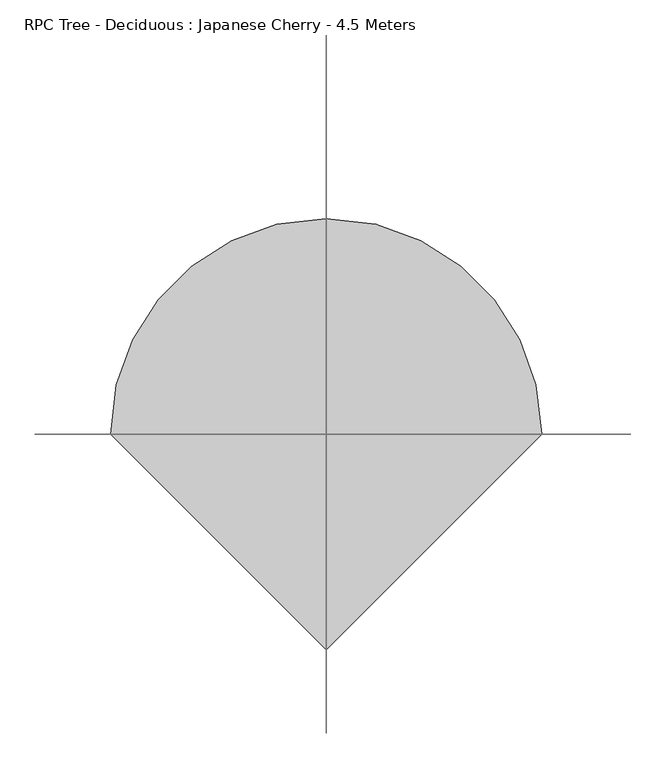
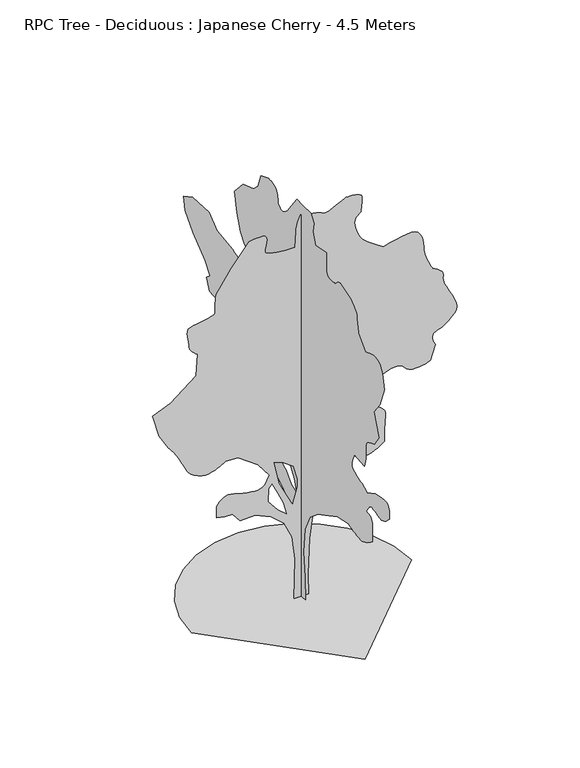
"""IFC4 building model written with IfcOpenShell, lengths in millimetres: geographic element geometry, RPC Tree - Deciduous : Japanese Cherry - 4.5 Meters."""

from ifc_helpers import new_model, si_unit, origin, place, context, project, spatial, triangles, source, transform, mapped, element, save


def rpc_tree_deciduous_japanese_cherry_4_5_meters_7cedb06f(model_context):
    return source(origin(), model_context, "Body", "Tessellation", [
        triangles([(-0.0027587, -74.5725603, 0.00586), (-0.0027587, 72.0943095, 0.00586), (-0.0027587, 58.7610481, 393.3378007), (-0.0027587, 98.7608322, 653.338028), (-0.0027587, 145.4276149, 853.3381748), (-0.0027587, 252.0952047, 966.670792), (-0.0027587, 412.0928332, 1080.00588), (-0.0027587, 518.7604139, 1126.6709095), (-0.0027587, 625.428031, 1106.6708948), (-0.0027587, 738.7605755, 1126.6709095), (-0.0027587, 798.7606195, 1213.3385118), (-0.0027587, 738.7605755, 1293.3384979), (-0.0027587, 525.4279212, 1366.6710857), (-0.0027587, 506.885412, 1365.1761189), (-0.0027587, 488.5178922, 1363.2711479), (-0.0027587, 470.5003873, 1360.5486397), (-0.0027587, 453.0078504, 1356.6035316), (-0.0027587, 436.2153434, 1351.0261105), (-0.0027587, 420.2953485, 1343.4060814), (-0.0027587, 405.4278331, 1333.3385273), (-0.0027587, 390.5578105, 1322.4935497), (-0.0027587, 374.6402864, 1312.6960373), (-0.0027587, 357.8477795, 1303.7760876), (-0.0027587, 340.3552789, 1295.553479), (-0.0027587, 322.337774, 1287.8585999), (-0.0027587, 303.9702541, 1280.5110832), (-0.0027587, 285.4277268, 1273.3385559), (-0.0027587, 185.427399, 1166.6709389), (-0.0027587, 85.4275708, 1126.6709095), (-0.0027587, 125.4276002, 1266.671085), (-0.0027587, 238.7606988, 1433.3386734), (-0.0027587, 398.7603258, 1533.3386742), (-0.0027587, 585.4279653, 1593.3387909), (-0.0027587, 718.7605608, 1506.6712612), (-0.0027587, 825.4281778, 1520.0062031), (-0.0027587, 938.7607224, 1640.0038204), (-0.0027587, 1025.4283247, 1746.6714375), (-0.0027587, 1105.4259127, 1740.0039665), (-0.0027587, 1192.0934423, 1660.0063786), (-0.0027587, 1245.4260155, 1753.3389084), (-0.0027587, 1305.4259869, 1820.0040253), (-0.0027587, 1412.0936039, 1933.3391132), (-0.0027587, 1478.7587208, 2233.3392609), (-0.0027587, 1485.4261917, 2393.3393784), (-0.0027587, 1578.7613377, 2433.336937), (-0.0027587, 1725.426368, 2446.6718788), (-0.0027587, 1785.4264847, 2573.3269386), (-0.0027587, 1712.0938969, 2633.3270554), (-0.0027587, 1812.0938976, 2753.3272888), (-0.0027587, 2038.759132, 2926.6774635), (-0.0027587, 2185.4267784, 3100.0026398), (-0.0027587, 2212.0917206, 3240.0025246), (-0.0027587, 2045.4266029, 3333.3276421), (-0.0027587, 1738.758839, 3346.6776993), (-0.0027587, 1585.4263378, 3226.6774658), (-0.0027587, 1292.0935158, 3193.3274666), (-0.0027587, 1252.2485641, 3177.7025482), (-0.0027587, 1213.3385118, 3162.6025978), (-0.0027587, 1176.2909185, 3148.5525833), (-0.0027587, 1142.0459158, 3136.0774727), (-0.0027587, 1111.5309179, 3125.7025246), (-0.0027587, 1085.6808969, 3117.9524162), (-0.0027587, 1065.4258833, 3113.3274078), (-0.0027587, 1047.2933418, 3113.0774231), (-0.0027587, 1028.108321, 3117.0274727), (-0.0027587, 1009.2758223, 3123.6526497), (-0.0027587, 992.1908186, 3131.4524643), (-0.0027587, 978.255768, 3138.9025909), (-0.0027587, 968.8682596, 3144.4775414), (-0.0027587, 965.4258099, 3146.6774071), (-0.0027587, 932.0932514, 3306.6778152), (-0.0027587, 1072.0933542, 3380.0027), (-0.0027587, 1138.7609419, 3486.6778748), (-0.0027587, 1212.093457, 3660.003051), (-0.0027587, 1252.0934864, 3880.0029945), (-0.0027587, 1098.7609125, 4053.3281708), (-0.0027587, 898.760693, 4126.6783447), (-0.0027587, 818.7606342, 4200.0035202), (-0.0027587, 758.7605902, 4360.0036377), (-0.0027587, 618.7604874, 4413.3285805), (-0.0027587, 595.9604982, 4413.2285866), (-0.0027587, 573.5129585, 4412.5536278), (-0.0027587, 551.7629416, 4410.70345), (-0.0027587, 531.0629333, 4407.1286682), (-0.0027587, 511.7629123, 4401.17845), (-0.0027587, 494.2128934, 4392.3534073), (-0.0027587, 478.7603846, 4380.0035797), (-0.0027587, 466.2228868, 4364.5536507), (-0.0027587, 456.8353784, 4347.0035591), (-0.0027587, 450.0728551, 4327.7035744), (-0.0027587, 445.4078419, 4307.0033844), (-0.0027587, 442.3178415, 4285.2535492), (-0.0027587, 440.2753427, 4262.803466), (-0.0027587, 438.7603552, 4240.0034042), (-0.0027587, 427.2553525, 4227.3033073), (-0.0027587, 415.2803204, 4215.6034401), (-0.0027587, 402.3753304, 4205.9034508), (-0.0027587, 388.070317, 4199.1532814), (-0.0027587, 371.9003011, 4196.3784508), (-0.0027587, 353.3952896, 4198.553318), (-0.0027587, 332.0927745, 4206.6784035), (-0.0027587, 310.9852693, 4218.4782646), (-0.0027587, 293.0277353, 4231.0033722), (-0.0027587, 277.6927156, 4244.1034447), (-0.0027587, 264.4552061, 4257.6784882), (-0.0027587, 252.7927094, 4271.5785118), (-0.0027587, 242.1814384, 4285.7285202), (-0.0027587, 232.0939364, 4300.003521), (-0.0027587, 138.7608616, 4426.6786377), (-0.0027587, 78.7608175, 4500.0035225), (-0.0027587, -21.2393172, 4493.3286392), (-0.0027587, -181.2391554, 4500.0035225), (-0.0027587, -241.2389451, 4420.0034637), (-0.0027587, -214.5724224, 4306.6784042), (-0.0027587, -261.2402133, 4180.0032875), (-0.0027587, -467.9053785, 4220.0034622), (-0.0027587, -467.9053785, 4073.3284035), (-0.0027587, -469.4403866, 4050.6283356), (-0.0027587, -471.6178699, 4028.7032204), (-0.0027587, -475.0778695, 4008.4282951), (-0.0027587, -480.4628969, 3990.6282188), (-0.0027587, -488.4103769, 3976.0532364), (-0.0027587, -499.5679081, 3965.5782944), (-0.0027587, -514.5729152, 3960.0030533), (-0.0027587, -531.7154371, 3957.9281799), (-0.0027587, -548.8579591, 3957.2532211), (-0.0027587, -566.0004447, 3957.7281921), (-0.0027587, -583.1429667, 3959.1531052), (-0.0027587, -600.2854886, 3961.2782661), (-0.0027587, -617.4304813, 3963.853109), (-0.0027587, -634.5730396, 3966.6782272), (-0.0027587, -650.2955538, 3982.2281502), (-0.0027587, -666.0780207, 3996.928125), (-0.0027587, -681.9780676, 4009.8782066), (-0.0027587, -698.0505604, 4020.2031578), (-0.0027587, -714.3580679, 4027.0283226), (-0.0027587, -730.9580721, 4029.4781731), (-0.0027587, -747.9055841, 4026.678344), (-0.0027587, -927.9057163, 3966.6782272), (-0.0027587, -953.4457998, 3949.4781143), (-0.0027587, -977.9358021, 3931.9283134), (-0.0027587, -1000.3257872, 3913.6782646), (-0.0027587, -1019.5682899, 3894.3782799), (-0.0027587, -1034.6108311, 3873.6780899), (-0.0027587, -1044.4058727, 3851.2280067), (-0.0027587, -1047.9058771, 3826.6780518), (-0.0027587, -1048.6833733, 3801.5281334), (-0.0027587, -1050.8608566, 3777.4531494), (-0.0027587, -1054.2033852, 3754.253112), (-0.0027587, -1058.4783422, 3731.7530319), (-0.0027587, -1063.4533293, 3709.7529213), (-0.0027587, -1068.895875, 3688.1280785), (-0.0027587, -1074.570892, 3666.6779343), (-0.0027587, -1201.238451, 3526.6777588), (-0.0027587, -1239.7609543, 3543.5528915), (-0.0027587, -1277.9935043, 3558.9278252), (-0.0027587, -1315.641061, 3571.2779434), (-0.0027587, -1352.4135258, 3579.077758), (-0.0027587, -1388.0210907, 3580.8029434), (-0.0027587, -1422.1711864, 3574.9530098), (-0.0027587, -1454.5712437, 3560.0027596), (-0.0027587, -1482.6961258, 3536.9027161), (-0.0027587, -1504.8736965, 3508.1777252), (-0.0027587, -1522.093721, 3474.8027275), (-0.0027587, -1535.3487259, 3437.7026665), (-0.0027587, -1545.6312378, 3397.8027763), (-0.0027587, -1553.9313126, 3356.02771), (-0.0027587, -1561.2387154, 3313.3277), (-0.0027587, -1474.5711857, 3086.677581), (-0.0027587, -1367.9060394, 2940.0022316), (-0.0027587, -1454.5712437, 2700.0020554), (-0.0027587, -1374.5710396, 2573.3269386), (-0.0027587, -1341.9185268, 2561.8270592), (-0.0027587, -1310.4910847, 2549.851918), (-0.0027587, -1281.5110222, 2536.952124), (-0.0027587, -1256.2035553, 2522.6521248), (-0.0027587, -1235.7959347, 2506.4769493), (-0.0027587, -1221.5110508, 2487.9745903), (-0.0027587, -1214.5709948, 2466.6721115), (-0.0027587, -1212.2984591, 2444.0095413), (-0.0027587, -1211.0734612, 2421.694479), (-0.0027587, -1210.7234825, 2399.6744568), (-0.0027587, -1211.0734612, 2377.8869785), (-0.0027587, -1211.9484804, 2356.2718735), (-0.0027587, -1213.1734783, 2334.7768192), (-0.0027587, -1214.5709948, 2313.3368488), (-0.0027587, -1187.9059799, 2206.6718479), (-0.0027587, -1001.2383041, 2226.6717899), (-0.0027587, -985.728277, 2195.3792233), (-0.0027587, -971.4433205, 2164.9017231), (-0.0027587, -959.6057436, 2136.0592976), (-0.0027587, -951.4432331, 2109.6642517), (-0.0027587, -948.1782434, 2086.536739), (-0.0027587, -951.0357725, 2067.486739), (-0.0027587, -961.2382748, 2053.3392014), (-0.0027587, -977.7782536, 2041.5992203), (-0.0027587, -998.0507807, 2029.6266953), (-0.0027587, -1020.8883402, 2018.0041489), (-0.0027587, -1045.1258142, 2007.3141037), (-0.0027587, -1069.5958323, 1998.1390823), (-0.0027587, -1093.133349, 1991.0640781), (-0.0027587, -1114.5709213, 1986.6716137), (-0.0027587, -1133.9884134, 1982.8416149), (-0.0027587, -1152.3558969, 1977.2640484), (-0.0027587, -1169.8484339, 1970.229158), (-0.0027587, -1186.6409409, 1962.0266064), (-0.0027587, -1202.9109507, 1952.9491081), (-0.0027587, -1218.828511, 1943.2890873), (-0.0027587, -1234.5710094, 1933.3391132), (-0.0027587, -1387.9061268, 2013.339172), (-0.0027587, -1431.9861397, 2024.5916828), (-0.0027587, -1474.8436981, 2034.7965832), (-0.0027587, -1515.2512608, 2042.9016117), (-0.0027587, -1551.9862278, 2047.8566872), (-0.0027587, -1583.8238194, 2048.6141991), (-0.0027587, -1609.5388195, 2044.1266823), (-0.0027587, -1627.9038322, 2033.339114), (-0.0027587, -1640.0538174, 2017.6916679), (-0.0027587, -1648.351276, 1999.5965515), (-0.0027587, -1653.4438431, 1979.4615887), (-0.0027587, -1655.9713051, 1957.6915512), (-0.0027587, -1656.5738846, 1934.6990593), (-0.0027587, -1655.8938389, 1910.8890301), (-0.0027587, -1654.5713905, 1886.6714676), (-0.0027587, -1631.6563648, 1862.5890713), (-0.0027587, -1608.3913605, 1839.7339256), (-0.0027587, -1584.4262535, 1819.3239796), (-0.0027587, -1559.4112106, 1802.5889545), (-0.0027587, -1532.9962532, 1790.7539211), (-0.0027587, -1504.833728, 1785.0390083), (-0.0027587, -1474.5711857, 1786.6714668), (-0.0027587, -1442.5211071, 1793.7065025), (-0.0027587, -1410.0036152, 1802.1439236), (-0.0027587, -1378.1860806, 1810.1114605), (-0.0027587, -1348.2360191, 1815.7489071), (-0.0027587, -1321.3160053, 1817.1864647), (-0.0027587, -1298.5960258, 1812.5614563), (-0.0027587, -1281.2385098, 1800.0039379), (-0.0027587, -1268.1185257, 1783.8339947), (-0.0027587, -1257.0985588, 1769.4114738), (-0.0027587, -1247.8260143, 1756.448893), (-0.0027587, -1239.9560005, 1744.6513573), (-0.0027587, -1233.1334518, 1733.7264427), (-0.0027587, -1227.0110058, 1723.3863762), (-0.0027587, -1221.2385384, 1713.338879), (-0.0027587, -1243.9585178, 1710.3264175), (-0.0027587, -1265.8635761, 1706.3813095), (-0.0027587, -1286.1360306, 1700.5688736), (-0.0027587, -1303.9584892, 1691.958934), (-0.0027587, -1318.5160309, 1679.6163734), (-0.0027587, -1328.993589, 1662.608836), (-0.0027587, -1334.5710102, 1640.0038204), (-0.0027587, -1336.8460167, 1613.5138676), (-0.0027587, -1338.0710873, 1585.6212387), (-0.0027587, -1338.4210659, 1556.56371), (-0.0027587, -1338.0710873, 1526.5736801), (-0.0027587, -1337.1961407, 1495.8836929), (-0.0027587, -1335.9710701, 1464.7286179), (-0.0027587, -1334.5710102, 1433.3386734), (-0.0027587, -1300.3260075, 1407.8185741), (-0.0027587, -1266.3110779, 1383.4636654), (-0.0027587, -1232.7635616, 1361.4436432), (-0.0027587, -1199.9160027, 1342.9210819), (-0.0027587, -1168.0034157, 1329.0636429), (-0.0027587, -1137.2534031, 1321.0360806), (-0.0027587, -1107.9059212, 1320.0060562), (-0.0027587, -1078.5558958, 1323.638538), (-0.0027587, -1047.808354, 1328.6735504), (-0.0027587, -1015.8932962, 1334.873608), (-0.0027587, -983.0458099, 1342.0060215), (-0.0027587, -949.4982937, 1349.8411537), (-0.0027587, -915.4857622, 1358.1386124), (-0.0027587, -881.238216, 1366.6710857), (-0.0027587, -681.2380692, 1320.0060562), (-0.0027587, -447.9053638, 1200.0059681), (-0.0027587, -314.5727683, 1126.6709095), (-0.0027587, -161.2391225, 1000.0058212), (-0.0027587, -67.905807, 806.6731453), (-0.0027587, -41.2392842, 533.3379398), (-0.0027587, -67.905807, 260.0052052), (78.9470616, -0.0002511, 0.0), (-81.0528197, -0.0002511, 0.0), (-67.7195538, -0.0002197, 453.3328669), (-101.05258, -0.0001988, 713.3330578), (-187.7194103, -0.0001884, 899.9982628), (-327.7202579, -0.0001884, 1026.6658218), (-501.0529192, -0.0001779, 1099.9984097), (-667.7180368, -0.0001779, 1099.9984097), (-747.720639, -0.0001779, 1199.9984831), (-834.3856979, -0.0001779, 1199.9984831), (-921.0532276, -0.0001779, 1219.9984978), (-921.0532276, -0.0001674, 1346.6660568), (-903.7932346, -0.0001674, 1369.3085701), (-885.8332117, -0.0001674, 1390.6686035), (-866.4756723, -0.000157, 1409.4636772), (-845.0181885, -0.000157, 1424.411166), (-820.7606575, -0.000157, 1434.2261192), (-793.0056656, -0.000157, 1437.6286732), (-761.0531101, -0.000157, 1433.3335865), (-723.1130568, -0.000157, 1423.7311203), (-679.5755253, -0.000157, 1412.8461742), (-633.0054754, -0.0001674, 1401.8461189), (-585.970483, -0.0001674, 1391.8936741), (-541.032928, -0.0001674, 1384.1586811), (-500.7604225, -0.0001674, 1379.803569), (-467.71789, -0.0001674, 1379.9986153), (-441.4803563, -0.0001674, 1385.9661289), (-419.4403499, -0.0001674, 1397.5311207), (-400.8978407, -0.000157, 1413.7610893), (-385.1527988, -0.000157, 1433.7212082), (-371.5103176, -0.000157, 1456.4811562), (-359.2652802, -0.000157, 1481.1062519), (-347.7202726, -0.000157, 1506.6661743), (-467.71789, -0.0001465, 1666.6662918), (-687.7180515, -0.000136, 1826.6664093), (-821.0531542, -0.000136, 1833.3314095), (-842.5681927, -0.000136, 1820.5039948), (-864.6081991, -0.000136, 1807.851424), (-887.7006849, -0.000136, 1795.5489773), (-912.3632057, -0.000136, 1783.7688824), (-939.1282871, -0.000136, 1772.6913609), (-968.5158102, -0.000136, 1762.4864605), (-1001.0532864, -0.0001465, 1753.3313507), (-1038.4858126, -0.0001465, 1750.1639568), (-1080.1183731, -0.0001465, 1756.5589153), (-1122.8009422, -0.000136, 1770.6488983), (-1163.385965, -0.000136, 1790.5713741), (-1198.7209448, -0.000136, 1814.4590149), (-1225.6584721, -0.000136, 1840.4465275), (-1241.0509918, -0.000136, 1866.6664387), (-1254.4834568, -0.000136, 1899.3565945), (-1275.8434902, -0.0001256, 1942.8940533), (-1302.4510231, -0.0001256, 1992.6141289), (-1331.6261318, -0.0001256, 2043.8466122), (-1360.6836605, -0.0001256, 2091.9317585), (-1386.9410694, -0.0001151, 2132.204155), (-1407.7185802, -0.0001151, 2159.9992607), (-1425.2510857, -0.0001151, 2182.1367176), (-1443.4812229, -0.0001151, 2208.1242302), (-1462.2962082, -0.0001151, 2237.3167797), (-1481.576136, -0.0001151, 2269.0742889), (-1501.2061878, -0.0001046, 2302.7592968), (-1521.0712543, -0.0001046, 2337.7244591), (-1541.0512848, -0.0001046, 2373.3318787), (-1614.3863434, -9.42e-05, 2626.6771706), (-1421.0511967, -8.37e-05, 2706.6772293), (-1141.0533892, -7.32e-05, 2926.6774635), (-1127.7183746, -5.23e-05, 3166.6526413), (-1147.5834412, -5.23e-05, 3181.0776329), (-1166.6309704, -5.23e-05, 3196.1775833), (-1184.0459684, -5.23e-05, 3212.677739), (-1199.0109707, -5.23e-05, 3231.2774757), (-1210.7109833, -5.23e-05, 3252.677623), (-1218.3310123, -5.23e-05, 3277.5775566), (-1221.0535206, -5.23e-05, 3306.6525261), (-1223.4635479, -4.19e-05, 3339.402562), (-1228.9034775, -4.19e-05, 3373.552803), (-1234.6960018, -4.19e-05, 3407.2527809), (-1238.155965, -4.19e-05, 3438.6029022), (-1236.6009727, -4.19e-05, 3465.7526985), (-1227.3484852, -4.19e-05, 3486.8278656), (-1207.7185061, -4.19e-05, 3500.0029335), (-1173.335939, -4.19e-05, 3508.2777191), (-1126.1258846, -3.14e-05, 3516.4528015), (-1072.8508661, -3.14e-05, 3525.1778503), (-1020.2758049, -3.14e-05, 3535.2278183), (-975.1632969, -3.14e-05, 3547.2279579), (-944.2782635, -3.14e-05, 3561.9279327), (-934.3857714, -3.14e-05, 3580.0029922), (-936.4657316, -3.14e-05, 3601.7528275), (-937.1457773, -3.14e-05, 3626.6530518), (-936.6582344, -3.14e-05, 3654.1778252), (-935.2407337, -3.14e-05, 3683.7780533), (-933.1232758, -2.09e-05, 3714.9778931), (-930.5382591, -2.09e-05, 3747.2279594), (-927.7182278, -2.09e-05, 3780.0029938), (-761.0531101, -1.05e-05, 4020.00317), (-567.7204705, 1.05e-05, 4260.0033463), (-526.5729095, 1.05e-05, 4266.8535095), (-487.1179049, 1.05e-05, 4272.0284843), (-451.042854, 1.05e-05, 4273.8283745), (-420.0428567, 1.05e-05, 4270.5285759), (-395.80531, 1.05e-05, 4260.4783173), (-380.0228067, 1.05e-05, 4241.9782837), (-374.3852875, 0.0, 4213.3282883), (-377.165314, 0.0, 4181.0535141), (-383.5603088, 0.0, 4152.6032158), (-390.6553336, 0.0, 4127.8032761), (-395.5328339, 0.0, 4106.3534225), (-395.2803057, 0.0, 4088.0533768), (-386.9803036, 0.0, 4072.6781525), (-367.7202873, 0.0, 4060.0033447), (-338.5077899, 0.0, 4049.7283905), (-302.995241, 0.0, 4041.5783066), (-262.2377179, -1.05e-05, 4035.1531174), (-217.282177, -1.05e-05, 4030.1531319), (-169.1771373, -1.05e-05, 4026.1783745), (-118.9730978, -1.05e-05, 4022.9032837), (-67.7195538, -1.05e-05, 4020.00317), (-61.0525507, 0.0, 4200.0035202), (-59.4975493, 1.05e-05, 4225.5284157), (-55.1437952, 1.05e-05, 4250.678334), (-48.4577889, 1.05e-05, 4275.5535599), (-39.9057809, 1.05e-05, 4300.2035088), (-29.954274, 1.05e-05, 4324.6784683), (-19.070066, 1.05e-05, 4349.0284355), (-7.719256, 1.05e-05, 4373.3284058), (37.7812808, 1.05e-05, 4364.72864), (81.9990646, 1.05e-05, 4356.0285896), (123.6511007, 1.05e-05, 4347.103553), (161.4548797, 1.05e-05, 4337.8035393), (194.127413, 1.05e-05, 4328.053553), (220.3859302, 1.05e-05, 4317.7036034), (238.9474425, 1.05e-05, 4306.6534058), (263.1077047, 1.05e-05, 4303.4286026), (302.4252358, 1.05e-05, 4313.503569), (350.0252918, 1.05e-05, 4332.2035904), (399.0253169, 1.05e-05, 4354.8786598), (442.5428641, 1.05e-05, 4376.8284828), (473.6978665, 2.09e-05, 4393.4286324), (485.6129096, 2.09e-05, 4400.0035217), (495.2154121, 2.09e-05, 4400.2035095), (519.9779268, 2.09e-05, 4399.9285263), (553.8354532, 2.09e-05, 4397.9036499), (590.7254617, 2.09e-05, 4392.8536674), (624.5830244, 1.05e-05, 4383.4786583), (649.3455391, 1.05e-05, 4368.5034096), (658.9480053, 1.05e-05, 4346.6535805), (658.5580582, 1.05e-05, 4321.3283821), (657.4705519, 1.05e-05, 4296.7034317), (655.7980522, 1.05e-05, 4272.6784447), (653.6605373, 1.05e-05, 4249.1034302), (651.1730438, 1.05e-05, 4225.8783943), (648.4505356, 0.0, 4202.8783447), (645.6129908, 0.0, 4180.0032875), (628.6255102, 0.0, 4167.0034996), (612.5730017, 0.0, 4153.2784653), (598.3829885, 0.0, 4138.0032349), (586.992986, 0.0, 4120.4784325), (579.3354592, 0.0, 4099.9282333), (576.342982, 0.0, 4075.5782661), (578.9479829, 0.0, 4046.6532875), (586.2154899, -1.05e-05, 4014.6032089), (596.2829713, -1.05e-05, 3981.953167), (608.6854846, -1.05e-05, 3949.7530975), (622.9504932, -1.05e-05, 3919.0782257), (638.6155254, -1.05e-05, 3890.9781967), (655.2155296, -1.05e-05, 3866.4782387), (672.280549, -2.09e-05, 3846.6529953), (692.3380457, -2.09e-05, 3828.553228), (717.6455853, -2.09e-05, 3808.6779877), (747.3231342, -2.09e-05, 3787.3531265), (780.5031584, -2.09e-05, 3764.8780449), (816.3031534, -2.09e-05, 3741.5030182), (853.853187, -2.09e-05, 3717.5780251), (892.2807106, -2.09e-05, 3693.3280518), (959.140801, -2.09e-05, 3711.6280975), (1024.3108057, -2.09e-05, 3728.2279564), (1086.098386, -2.09e-05, 3741.4280228), (1142.8159269, -2.09e-05, 3749.5781067), (1192.7659304, -2.09e-05, 3750.9530228), (1234.2634701, -2.09e-05, 3743.8781639), (1265.6135914, -2.09e-05, 3726.6530525), (1288.19855, -2.09e-05, 3698.6530174), (1305.0685959, -3.14e-05, 3662.6028923), (1317.0411209, -3.14e-05, 3621.8780525), (1324.9335171, -3.14e-05, 3579.8779999), (1329.5585255, -3.14e-05, 3539.9778191), (1331.7360088, -4.19e-05, 3505.5528854), (1332.2810337, -4.19e-05, 3480.0027008), (1337.451067, -4.19e-05, 3452.7529106), (1350.7835381, -4.19e-05, 3414.6526199), (1369.0136753, -4.19e-05, 3371.2026558), (1388.8785965, -5.23e-05, 3327.8526855), (1407.1112045, -5.23e-05, 3290.1026642), (1420.4436756, -5.23e-05, 3263.4275482), (1425.6137089, -5.23e-05, 3253.3275833), (1432.59119, -5.23e-05, 3250.5527527), (1450.4136486, -5.23e-05, 3242.5276611), (1474.4187241, -5.23e-05, 3229.7275703), (1499.938678, -5.23e-05, 3212.6024529), (1522.3086788, -5.23e-05, 3191.6275703), (1536.8662205, -5.23e-05, 3167.2776031), (1538.9461807, -6.28e-05, 3140.0025238), (1536.3412525, -6.28e-05, 3112.1024826), (1539.3362732, -6.28e-05, 3085.0273911), (1546.9938, -6.28e-05, 3057.9525902), (1558.3838024, -6.28e-05, 3030.0775475), (1572.5713085, -6.28e-05, 3000.5523148), (1588.6262878, -7.32e-05, 2968.5775223), (1605.6137684, -7.32e-05, 2933.3273483), (1625.0112762, -7.32e-05, 2895.102356), (1646.5088013, -7.32e-05, 2855.2271736), (1666.4888317, -7.32e-05, 2814.5523308), (1681.3363266, -8.37e-05, 2773.8771973), (1687.4413319, -8.37e-05, 2734.0023056), (1681.1813942, -8.37e-05, 2695.7773132), (1658.9462688, -8.37e-05, 2660.0021713), (1628.9963528, -9.42e-05, 2628.8270393), (1601.3762363, -9.42e-05, 2603.2521469), (1575.1563251, -9.42e-05, 2582.3269707), (1549.4036819, -9.42e-05, 2565.1521469), (1523.1837708, -9.42e-05, 2550.7771523), (1495.5662704, -9.42e-05, 2538.2520447), (1465.6137383, -9.42e-05, 2526.6771698), (1440.211219, -9.42e-05, 2513.3021141), (1425.6512066, -9.42e-05, 2496.4220398), (1420.1311947, -9.42e-05, 2476.6369102), (1421.8435902, -0.0001046, 2454.5170395), (1428.976149, -0.0001046, 2430.6494556), (1439.7236034, -0.0001046, 2405.616972), (1452.2811218, -0.0001046, 2379.9993496), (1398.9461506, -0.0001151, 2213.3317612), (1380.1910454, -0.0001151, 2204.8392563), (1360.3261242, -0.0001151, 2196.8118393), (1338.2460766, -0.0001151, 2189.7167782), (1312.8435574, -0.0001151, 2184.021777), (1283.0086052, -0.0001151, 2180.194249), (1247.6334389, -0.0001151, 2178.6968113), (1205.6134747, -0.0001151, 2179.9992027), (1167.8684675, -0.0001151, 2188.6467854), (1142.0184465, -0.0001151, 2205.9268353), (1121.9983749, -0.0001151, 2227.4043034), (1101.7459047, -0.0001151, 2248.6467567), (1075.1958538, -0.0001151, 2265.2268494), (1036.2833307, -0.0001151, 2272.7093868), (978.9457695, -0.0001151, 2266.6642616), (912.6507608, -0.0001151, 2247.8318356), (851.8331795, -0.0001151, 2221.3017689), (797.8981722, -0.0001151, 2189.1717533), (752.2406393, -0.0001151, 2153.5467476), (716.2655823, -0.0001151, 2116.5192112), (691.365576, -0.0001256, 2080.1942482), (678.94802, -0.0001256, 2046.6666435), (678.6755802, -0.0001256, 2016.7915775), (688.1980368, -0.0001256, 1989.7166313), (705.8855473, -0.0001256, 1964.9741009), (730.1031097, -0.0001256, 1942.0990437), (759.2181204, -0.000136, 1920.6215755), (791.6006641, -0.000136, 1900.0764633), (825.6131956, -0.000136, 1879.9990551), (845.4582052, -0.000136, 1867.0540604), (864.3707136, -0.000136, 1853.5839523), (881.4156761, -0.000136, 1839.0665245), (895.6632076, -0.000136, 1822.9739021), (906.1782635, -0.000136, 1804.7814079), (912.0282698, -0.000136, 1783.9639286), (912.2807253, -0.000136, 1759.998967), (909.6182425, -0.0001465, 1730.7863605), (907.3057383, -0.0001465, 1695.2763187), (905.28326, -0.0001465, 1654.5187775), (903.4957237, -0.0001465, 1609.5613472), (901.880706, -0.000157, 1561.4562893), (900.3857391, -0.000157, 1511.253685), (898.9457108, -0.000157, 1459.998674), (864.6231691, -0.000157, 1434.5760979), (830.0656855, -0.000157, 1410.9037056), (795.0406431, -0.0001674, 1390.7286289), (759.3156435, -0.0001674, 1375.8010517), (722.6606134, -0.0001674, 1367.8711578), (684.835524, -0.0001674, 1368.686079), (645.6129908, -0.0001674, 1379.9986153), (606.1979911, -0.0001674, 1395.0036587), (567.8304565, -0.0001674, 1406.1611172), (530.3354342, -0.000157, 1414.1112133), (493.5429125, -0.000157, 1419.4935883), (457.2753588, -0.000157, 1422.9536968), (421.3578564, -0.000157, 1425.1311802), (385.6127998, -0.000157, 1426.6661156), (272.280219, -0.0001674, 1353.3335278), (198.9474132, -0.0001779, 1186.6659393), (125.6138534, -0.0001884, 906.6657337), (85.6140693, -0.0002093, 633.332999), (72.2805581, -0.0002302, 233.3331958), (-94.386072, -8.37e-05, 1079.998395), (-41.0527812, -7.32e-05, 1266.6659981), (-41.0527812, -6.28e-05, 1359.9985279), (-87.7190734, -5.23e-05, 1519.9987907), (-207.7189163, -5.23e-05, 1606.6663204), (-301.052736, -5.23e-05, 1639.9988789), (-241.0526919, -6.28e-05, 1373.3336151), (-154.3856164, -6.28e-05, 993.3333361), (-194.385664, -6.28e-05, 1139.998439), (-267.7202139, -5.23e-05, 1299.9985565), (-321.0527507, -4.19e-05, 1399.9987026), (-354.3852728, -4.19e-05, 1353.3335278), (-361.0527801, -5.23e-05, 1206.665954), (-261.0527066, -6.28e-05, 1079.998395), (-1193.8159389, 0.0, 0.0045206), (-1162.2559467, 273.5427146, 0.0045206), (-1072.3708809, 524.7504189, 0.0045206), (-931.360738, 746.420573, 0.0045206), (-746.420573, 931.360738, 0.0045206), (-524.7504189, 1072.3708809, 0.0045206), (-273.5427146, 1162.2559467, 0.0045206), (5.22e-05, 1193.8159389, 0.0045206), (273.5427146, 1162.2559467, 0.0045206), (524.7504189, 1072.3708809, 0.0045206), (746.420573, 931.360738, 0.0045206), (931.360738, 746.420573, 0.0045206), (1072.3708809, 524.7504189, 0.0045206), (1162.2559467, 273.5427146, 0.0045206), (1193.8159389, -0.0001046, 0.0045206), (-0.0001566, -1193.8159389, 0.0045206)], [[39, 38, 40], [116, 115, 117], [2, 1, 3], [1, 280, 3], [280, 279, 3], [3, 279, 4], [279, 278, 4], [4, 278, 5], [187, 186, 188], [278, 277, 5], [47, 46, 48], [46, 45, 48], [5, 277, 6], [186, 185, 188], [11, 10, 12], [10, 9, 12], [12, 9, 13], [9, 8, 13], [13, 8, 14], [14, 8, 15], [15, 8, 16], [16, 8, 17], [17, 8, 18], [18, 8, 19], [19, 8, 20], [20, 8, 21], [8, 7, 21], [21, 7, 22], [22, 7, 23], [23, 7, 24], [24, 7, 25], [25, 7, 26], [7, 6, 26], [26, 6, 27], [27, 6, 28], [6, 277, 28], [28, 277, 29], [52, 51, 53], [51, 50, 53], [53, 50, 54], [54, 50, 55], [50, 49, 55], [55, 49, 56], [49, 48, 56], [56, 48, 57], [48, 45, 57], [45, 44, 57], [57, 44, 58], [58, 44, 59], [59, 44, 60], [60, 44, 61], [61, 44, 62], [62, 44, 63], [277, 276, 29], [29, 276, 30], [185, 184, 188], [184, 183, 188], [63, 44, 64], [117, 115, 118], [112, 111, 113], [113, 111, 114], [183, 182, 188], [110, 109, 111], [111, 109, 114], [109, 108, 114], [114, 108, 115], [108, 107, 115], [107, 106, 115], [106, 105, 115], [105, 104, 115], [118, 115, 119], [171, 170, 172], [172, 170, 173], [173, 170, 174], [174, 170, 175], [75, 74, 76], [76, 74, 77], [74, 73, 77], [73, 72, 77], [72, 71, 77], [259, 258, 260], [182, 181, 188], [79, 78, 80], [175, 170, 176], [104, 103, 115], [80, 78, 81], [64, 44, 65], [276, 275, 30], [30, 275, 31], [275, 274, 31], [81, 78, 82], [82, 78, 83], [83, 78, 84], [84, 78, 85], [85, 78, 86], [86, 78, 87], [87, 78, 88], [88, 78, 89], [89, 78, 90], [90, 78, 91], [91, 78, 92], [92, 78, 93], [93, 78, 94], [94, 78, 95], [95, 78, 96], [77, 71, 78], [78, 71, 96], [96, 71, 97], [97, 71, 98], [98, 71, 99], [99, 71, 100], [119, 115, 120], [181, 180, 188], [40, 38, 41], [224, 223, 225], [34, 33, 35], [35, 33, 36], [36, 33, 37], [103, 102, 115], [180, 179, 188], [65, 44, 66], [176, 170, 177], [100, 71, 101], [44, 43, 66], [43, 42, 66], [42, 41, 66], [41, 38, 66], [38, 37, 66], [37, 33, 66], [66, 33, 67], [67, 33, 68], [68, 33, 69], [69, 33, 70], [33, 32, 70], [32, 31, 70], [31, 274, 70], [274, 273, 70], [70, 273, 71], [71, 273, 101], [101, 273, 102], [102, 273, 115], [115, 273, 120], [120, 273, 121], [121, 273, 122], [122, 273, 123], [123, 273, 124], [124, 273, 125], [125, 273, 126], [126, 273, 127], [127, 273, 128], [128, 273, 129], [129, 273, 130], [130, 273, 131], [273, 272, 131], [272, 271, 131], [271, 270, 131], [270, 269, 131], [269, 268, 131], [131, 268, 132], [132, 268, 133], [133, 268, 134], [168, 167, 169], [258, 257, 260], [260, 257, 261], [257, 256, 261], [261, 256, 262], [256, 255, 262], [262, 255, 263], [255, 254, 263], [263, 254, 264], [264, 254, 265], [265, 254, 266], [266, 254, 267], [267, 254, 268], [254, 253, 268], [253, 252, 268], [252, 251, 268], [251, 250, 268], [250, 249, 268], [249, 248, 268], [248, 247, 268], [247, 246, 268], [246, 245, 268], [167, 166, 169], [166, 165, 169], [165, 164, 169], [164, 163, 169], [163, 162, 169], [162, 161, 169], [161, 160, 169], [160, 159, 169], [159, 158, 169], [158, 157, 169], [157, 156, 169], [156, 155, 169], [155, 154, 169], [169, 154, 170], [170, 154, 177], [154, 153, 177], [177, 153, 178], [178, 153, 179], [179, 153, 188], [223, 222, 225], [225, 222, 226], [222, 221, 226], [221, 220, 226], [220, 219, 226], [219, 218, 226], [218, 217, 226], [217, 216, 226], [216, 215, 226], [215, 214, 226], [214, 213, 226], [213, 212, 226], [226, 212, 227], [227, 212, 228], [228, 212, 229], [229, 212, 230], [230, 212, 231], [212, 211, 231], [231, 211, 232], [232, 211, 233], [211, 210, 233], [210, 209, 233], [233, 209, 234], [234, 209, 235], [235, 209, 236], [236, 209, 237], [237, 209, 238], [238, 209, 239], [239, 209, 240], [209, 208, 240], [240, 208, 241], [208, 207, 241], [207, 206, 241], [241, 206, 242], [206, 205, 242], [205, 204, 242], [242, 204, 243], [204, 203, 243], [203, 202, 243], [243, 202, 244], [202, 201, 244], [244, 201, 245], [245, 201, 268], [201, 200, 268], [200, 199, 268], [199, 198, 268], [198, 197, 268], [197, 196, 268], [196, 195, 268], [195, 194, 268], [188, 153, 189], [189, 153, 190], [153, 152, 190], [190, 152, 191], [152, 151, 191], [137, 136, 138], [136, 135, 138], [138, 135, 139], [135, 134, 139], [139, 134, 140], [140, 134, 141], [141, 134, 142], [142, 134, 143], [143, 134, 144], [144, 134, 145], [145, 134, 146], [146, 134, 147], [147, 134, 148], [148, 134, 149], [149, 134, 150], [150, 134, 151], [151, 134, 191], [191, 134, 192], [192, 134, 193], [134, 268, 193], [268, 194, 193], [580, 583, 581], [281, 574, 575], [583, 580, 584], [574, 573, 575], [581, 583, 575], [584, 580, 585], [573, 572, 575], [583, 582, 575], [575, 582, 281], [572, 571, 575], [575, 571, 576], [282, 281, 283], [571, 570, 576], [576, 570, 577], [345, 344, 346], [291, 290, 292], [407, 406, 408], [577, 570, 578], [292, 290, 293], [290, 289, 293], [293, 289, 294], [294, 289, 295], [295, 289, 296], [296, 289, 297], [297, 289, 298], [298, 289, 299], [299, 289, 300], [300, 289, 301], [301, 289, 302], [302, 289, 303], [289, 288, 303], [288, 287, 303], [303, 287, 304], [304, 287, 305], [305, 287, 306], [287, 286, 306], [306, 286, 307], [307, 286, 308], [308, 286, 309], [570, 569, 578], [555, 554, 556], [406, 405, 408], [344, 343, 346], [513, 512, 514], [512, 511, 514], [514, 511, 515], [515, 511, 516], [516, 511, 517], [511, 510, 517], [517, 510, 518], [518, 510, 519], [519, 510, 520], [520, 510, 521], [521, 510, 522], [522, 510, 523], [523, 510, 524], [510, 509, 524], [524, 509, 525], [509, 508, 525], [435, 434, 436], [343, 342, 346], [508, 507, 525], [525, 507, 526], [408, 405, 409], [405, 404, 409], [404, 403, 409], [409, 403, 410], [403, 402, 410], [402, 401, 410], [401, 400, 410], [410, 400, 411], [400, 399, 411], [411, 399, 412], [412, 399, 413], [413, 399, 414], [414, 399, 415], [378, 377, 379], [342, 341, 346], [346, 341, 347], [341, 340, 347], [340, 339, 347], [339, 338, 347], [338, 337, 347], [337, 336, 347], [336, 335, 347], [335, 334, 347], [334, 333, 347], [379, 377, 380], [380, 377, 381], [381, 377, 382], [382, 377, 383], [383, 377, 384], [384, 377, 385], [385, 377, 386], [386, 377, 387], [387, 377, 388], [388, 377, 389], [389, 377, 390], [390, 377, 391], [377, 376, 391], [391, 376, 392], [376, 375, 392], [375, 374, 392], [374, 373, 392], [373, 372, 392], [392, 372, 393], [372, 371, 393], [371, 370, 393], [370, 369, 393], [393, 369, 394], [394, 369, 395], [395, 369, 396], [333, 332, 347], [396, 369, 397], [427, 426, 428], [428, 426, 429], [426, 425, 429], [429, 425, 430], [425, 424, 430], [430, 424, 431], [424, 423, 431], [431, 423, 432], [423, 422, 432], [432, 422, 433], [422, 421, 433], [421, 420, 433], [420, 419, 433], [419, 418, 433], [433, 418, 434], [434, 418, 436], [436, 418, 437], [437, 418, 438], [438, 418, 439], [418, 417, 439], [439, 417, 440], [417, 416, 440], [440, 416, 441], [416, 415, 441], [415, 399, 441], [441, 399, 442], [442, 399, 443], [443, 399, 444], [444, 399, 445], [445, 399, 446], [446, 399, 447], [447, 399, 448], [448, 399, 449], [397, 369, 398], [332, 331, 347], [369, 368, 398], [361, 360, 362], [360, 359, 362], [362, 359, 363], [359, 358, 363], [363, 358, 364], [358, 357, 364], [364, 357, 365], [357, 356, 365], [356, 355, 365], [365, 355, 366], [355, 354, 366], [354, 353, 366], [353, 352, 366], [352, 351, 366], [351, 350, 366], [350, 349, 366], [349, 348, 366], [366, 348, 367], [367, 348, 368], [368, 348, 398], [348, 347, 398], [398, 347, 399], [399, 347, 449], [449, 347, 450], [450, 347, 451], [451, 347, 452], [347, 331, 452], [452, 331, 453], [453, 331, 454], [454, 331, 455], [455, 331, 456], [331, 330, 456], [330, 329, 456], [329, 328, 456], [328, 327, 456], [327, 326, 456], [326, 325, 456], [325, 324, 456], [324, 323, 456], [323, 322, 456], [322, 321, 456], [321, 320, 456], [320, 319, 456], [319, 318, 456], [318, 317, 456], [317, 316, 456], [316, 315, 456], [315, 314, 456], [456, 314, 457], [457, 314, 458], [458, 314, 459], [459, 314, 460], [460, 314, 461], [461, 314, 462], [462, 314, 463], [463, 314, 464], [464, 314, 465], [465, 314, 466], [466, 314, 467], [467, 314, 468], [468, 314, 469], [469, 314, 470], [470, 314, 471], [471, 314, 472], [472, 314, 473], [473, 314, 474], [474, 314, 475], [475, 314, 476], [476, 314, 477], [477, 314, 478], [478, 314, 479], [479, 314, 480], [480, 314, 481], [481, 314, 482], [482, 314, 483], [483, 314, 484], [484, 314, 485], [485, 314, 486], [486, 314, 487], [487, 314, 488], [488, 314, 489], [489, 314, 490], [490, 314, 491], [491, 314, 492], [492, 314, 493], [493, 314, 494], [494, 314, 495], [495, 314, 496], [496, 314, 497], [497, 314, 498], [498, 314, 499], [499, 314, 500], [500, 314, 501], [501, 314, 502], [585, 580, 586], [556, 554, 557], [554, 553, 557], [557, 553, 558], [558, 553, 559], [559, 553, 560], [560, 553, 561], [561, 553, 562], [562, 553, 563], [553, 552, 563], [563, 552, 564], [552, 551, 564], [551, 550, 564], [564, 550, 565], [550, 549, 565], [565, 549, 566], [549, 548, 566], [548, 547, 566], [547, 546, 566], [546, 545, 566], [545, 544, 566], [544, 543, 566], [543, 542, 566], [542, 541, 566], [541, 540, 566], [540, 539, 566], [539, 538, 566], [566, 538, 567], [538, 537, 567], [567, 537, 568], [568, 537, 569], [569, 537, 578], [537, 536, 578], [536, 535, 578], [578, 535, 579], [535, 534, 579], [579, 534, 580], [534, 533, 580], [533, 532, 580], [526, 507, 527], [507, 506, 527], [532, 531, 580], [527, 506, 528], [531, 530, 580], [283, 281, 284], [281, 582, 284], [284, 582, 285], [285, 582, 286], [582, 588, 286], [588, 587, 286], [286, 587, 309], [587, 586, 309], [309, 586, 310], [310, 586, 311], [311, 586, 312], [312, 586, 313], [586, 580, 313], [313, 580, 314], [580, 530, 314], [530, 529, 314], [503, 502, 504], [504, 502, 505], [502, 314, 505], [314, 529, 505], [505, 529, 506], [506, 529, 528], [604, 603, 589], [603, 602, 589], [589, 602, 590], [602, 601, 590], [590, 601, 591], [591, 601, 592], [601, 600, 592], [600, 599, 592], [592, 599, 593], [593, 599, 594], [594, 599, 595], [595, 599, 596], [596, 599, 597], [597, 599, 598]], closed=False),
    ])


if __name__ == "__main__":
    model = new_model("IFC4")
    model_context = context("Model", 3, world=origin())
    ifc_project = project(units=[si_unit("LENGTHUNIT", "METRE", prefix="MILLI")], contexts=[model_context])
    site = spatial("IfcSite", under=ifc_project)
    building = spatial("IfcBuilding", under=site)
    placement = place(None, origin())
    rpc_tree_deciduous_japanese_cherry_4_5_meters_shape = rpc_tree_deciduous_japanese_cherry_4_5_meters_7cedb06f(model_context)
    element("IfcGeographicElement", 1, ObjectType="RPC Tree - Deciduous : Japanese Cherry - 4.5 Meters", at=placement, inside=building, context=model_context, shape_type="MappedRepresentation", body=[
        mapped(rpc_tree_deciduous_japanese_cherry_4_5_meters_shape, transform((0.0, 0.0, 0.0), x_axis=(1.0, 0.0, 0.0), y_axis=(0.0, 1.0, 0.0), z_axis=(0.0, 0.0, 1.0))),
    ])
    save(model, "model.ifc")
